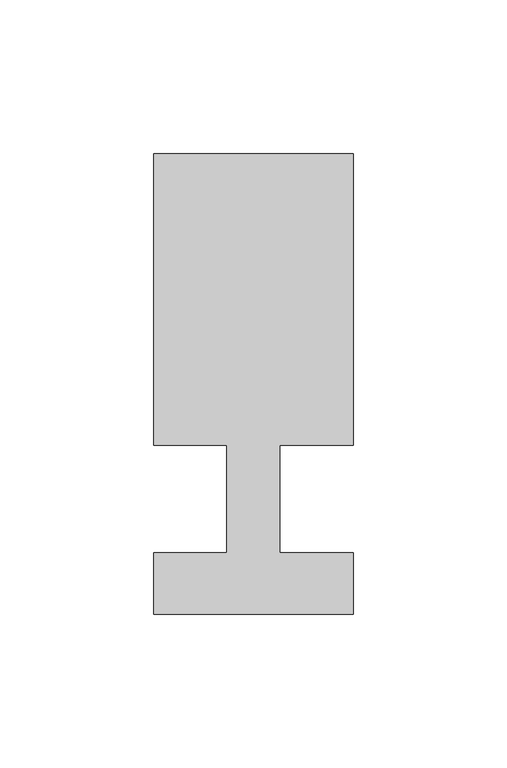
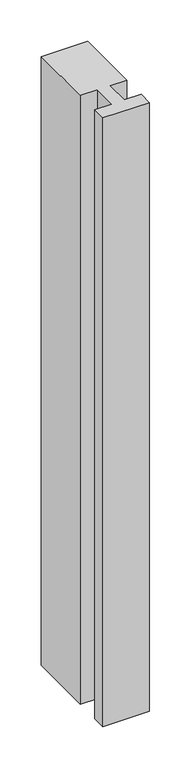
"""IFC4 building model written with IfcOpenShell, lengths in millimetres: member geometry."""

from ifc_helpers import new_model, si_unit, frame, origin, place, context, project, spatial, polyline, outline, extrude, source, transform, mapped, element, save


def member_1808b76c(model_context):
    return source(origin(), model_context, "Body", "SweptSolid", [
        extrude(outline(polyline([(0.0, -37.0), (-65.0, -37.0), (-65.0, -17.0), (-41.1875, -17.0), (-41.1875, 18.0), (-65.0, 18.0), (-65.0, 113.0), (0.0, 113.0), (0.0, 18.0), (-23.8125, 18.0), (-23.8125, -17.0), (0.0, -17.0), (0.0, -37.0)])), frame((0.0, 0.0, -902.5), z_axis=(0.0, 0.0, 1.0), x_axis=(1.0, 0.0, 0.0)), (0.0, 0.0, 1.0), 902.5),
    ])


if __name__ == "__main__":
    model = new_model("IFC4")
    model_context = context("Model", 3, world=origin())
    ifc_project = project(units=[si_unit("LENGTHUNIT", "METRE", prefix="MILLI")], contexts=[model_context])
    site = spatial("IfcSite", under=ifc_project)
    building = spatial("IfcBuilding", under=site)
    placement = place(None, origin())
    member_shape = member_1808b76c(model_context)
    element("IfcMember", 1, at=placement, inside=building, context=model_context, shape_type="MappedRepresentation", body=[
        mapped(member_shape, transform((0.0, 0.0, 0.0), x_axis=(1.0, 0.0, 0.0), y_axis=(0.0, 1.0, 0.0), z_axis=(0.0, 0.0, 1.0))),
    ])
    save(model, "model.ifc")
